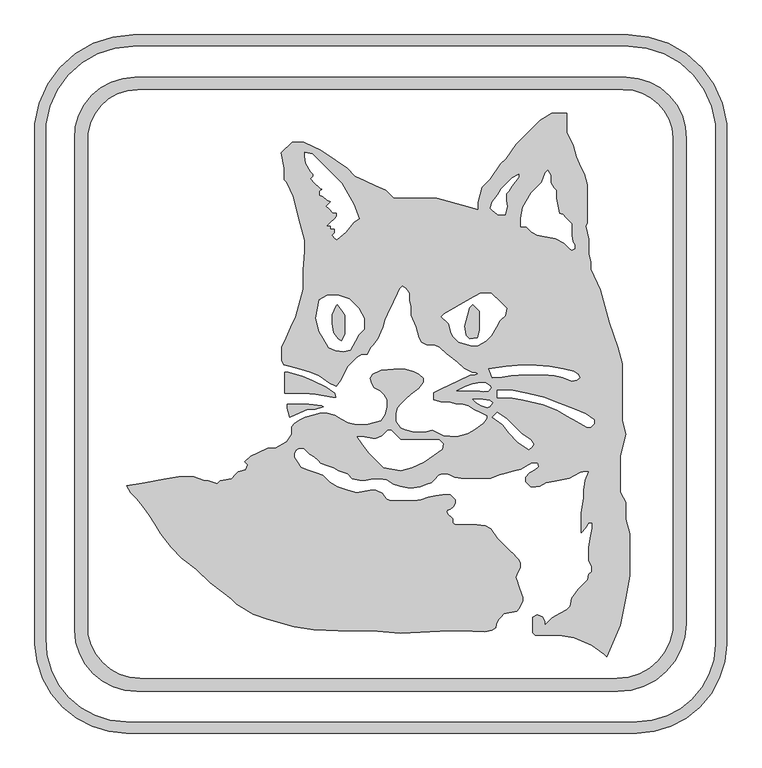
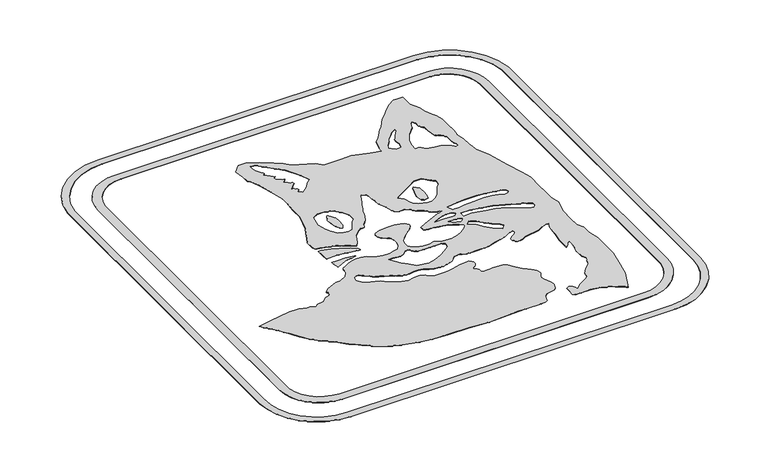
"""IFC4 building model written with IfcOpenShell, lengths in millimetres: proxy geometry."""

import ifcopenshell
import ifcopenshell.guid

model = None  # the IFC model being written
_history = None  # IfcOwnerHistory: only IFC2X3 demands one
_inside = {}  # id of a spatial element -> (the spatial element, [elements in it])
_under = {}  # id of a project, library or spatial element -> (it, [spatial elements below it])
_declared = {}  # id of a project -> (the project, [libraries it declares])
_typed = {}  # id of a type object -> (the type object, [elements of that type])
_made_of = {}  # id of a material, layer set ... -> (it, [elements and type objects made of it])


def new_model(schema):
    """Start an empty IFC model of exactly this schema.

    Asked for "IFC4X3", IfcOpenShell would pick the latest addendum, in which some entities
    have other attributes; the version numbers below select the first issue.
    IFC2X3 requires an IfcOwnerHistory on every rooted entity: one is made here for all.
    """
    global model, _history
    if schema == "IFC4X3":
        model = ifcopenshell.file(schema_version=(4, 3, 0, 0))
    else:
        model = ifcopenshell.file(schema=schema)
    _inside.clear()
    _under.clear()
    _declared.clear()
    _typed.clear()
    _made_of.clear()
    _history = None
    if model.schema == "IFC2X3":
        org = make("IfcOrganization", Name="unknown")
        user = make(
            "IfcPersonAndOrganization",
            ThePerson=make("IfcPerson", FamilyName="unknown"),
            TheOrganization=org,
        )
        app = make(
            "IfcApplication",
            ApplicationDeveloper=org,
            Version="unknown",
            ApplicationFullName="unknown",
            ApplicationIdentifier="unknown",
        )
        _history = make(
            "IfcOwnerHistory",
            OwningUser=user,
            OwningApplication=app,
            ChangeAction="ADDED",
            CreationDate=0,
        )
    return model


def make(cls, **values):
    """One entity of the class cls with the attributes given. An attribute that is None is left unset."""
    return model.create_entity(
        cls, **{name: value for name, value in values.items() if value is not None}
    )


def rooted(cls, **values):
    """An entity with a GlobalId (a new one), such as an element, a storey or a relation."""
    return make(cls, GlobalId=ifcopenshell.guid.new(), OwnerHistory=_history, **values)


def si_unit(unit_type, name, prefix=None):
    """IfcSIUnit, for example si_unit("LENGTHUNIT", "METRE", prefix="MILLI")."""
    return make("IfcSIUnit", UnitType=unit_type, Prefix=prefix, Name=name)


def assignment(units):
    """IfcUnitAssignment: the units of a project."""
    return None if units is None else make("IfcUnitAssignment", Units=units)


def point(xyz):
    """IfcCartesianPoint."""
    return None if xyz is None else make("IfcCartesianPoint", Coordinates=xyz)


def direction(xyz):
    """IfcDirection."""
    return None if xyz is None else make("IfcDirection", DirectionRatios=xyz)


def frame(location, z_axis=None, x_axis=None):
    """IfcAxis2Placement3D, a coordinate frame: its origin and axes. An axis left out is left unset."""
    return make(
        "IfcAxis2Placement3D",
        Location=point(location),
        Axis=direction(z_axis),
        RefDirection=direction(x_axis),
    )


def frame_2d(location, x_axis=None):
    """IfcAxis2Placement2D, a coordinate frame in the plane: its origin and x axis."""
    return make(
        "IfcAxis2Placement2D", Location=point(location), RefDirection=direction(x_axis)
    )


def origin():
    """The frame at (0, 0, 0) with its axes left unset."""
    return frame((0.0, 0.0, 0.0))


def origin_with_axes():
    """The frame at (0, 0, 0) with the z axis (0, 0, 1) and the x axis (1, 0, 0) written out."""
    return frame((0.0, 0.0, 0.0), z_axis=(0.0, 0.0, 1.0), x_axis=(1.0, 0.0, 0.0))


def place(relative_to, where):
    """IfcLocalPlacement: puts the frame where relative to a parent placement (None: the world)."""
    return make(
        "IfcLocalPlacement", PlacementRelTo=relative_to, RelativePlacement=where
    )


def context(
    kind, dimensions, precision=None, world=None, true_north=None, identifier=None
):
    """IfcGeometricRepresentationContext, for example the 3D "Model" context."""
    return make(
        "IfcGeometricRepresentationContext",
        ContextIdentifier=identifier,
        ContextType=kind,
        CoordinateSpaceDimension=dimensions,
        Precision=precision,
        WorldCoordinateSystem=world,
        TrueNorth=true_north,
    )


def project(units=None, contexts=None):
    """IfcProject with its units and contexts."""
    return rooted(
        "IfcProject",
        Name="project",
        RepresentationContexts=contexts,
        UnitsInContext=assignment(units),
    )


def spatial(cls, under=None, at=None, **own):
    """A site, building, storey or space (cls), placed at a placement, below another one or the project."""
    s = rooted(cls, ObjectPlacement=at, **own)
    if under is not None:
        _under.setdefault(under.id(), (under, []))[1].append(s)
    return s


def polyline(points):
    """IfcPolyline through the points."""
    return make("IfcPolyline", Points=[point(p) for p in points])


def circle_curve(where, radius):
    """IfcCircle in the frame where."""
    return make("IfcCircle", Position=where, Radius=radius)


def trimmed(basis, trim1, trim2, sense, master):
    """IfcTrimmedCurve: the piece of a basis curve between two trims."""
    return make(
        "IfcTrimmedCurve",
        BasisCurve=basis,
        Trim1=trim1,
        Trim2=trim2,
        SenseAgreement=sense,
        MasterRepresentation=master,
    )


def segment(curve, same_sense, transition):
    """IfcCompositeCurveSegment."""
    return make(
        "IfcCompositeCurveSegment",
        Transition=transition,
        SameSense=same_sense,
        ParentCurve=curve,
    )


def composite_curve(segments, self_intersect=None):
    """IfcCompositeCurve: segments joined end to end."""
    return make("IfcCompositeCurve", Segments=segments, SelfIntersect=self_intersect)


def outline(outer, holes=None, kind="AREA"):
    """IfcArbitraryClosedProfileDef: a profile drawn as a closed curve; with holes, ...WithVoids."""
    if holes is None:
        return make("IfcArbitraryClosedProfileDef", ProfileType=kind, OuterCurve=outer)
    return make(
        "IfcArbitraryProfileDefWithVoids",
        ProfileType=kind,
        OuterCurve=outer,
        InnerCurves=holes,
    )


def extrude(swept, where, along, depth):
    """IfcExtrudedAreaSolid: the profile swept, set in the frame where, extruded along a direction by depth."""
    return make(
        "IfcExtrudedAreaSolid",
        SweptArea=swept,
        Position=where,
        ExtrudedDirection=direction(along),
        Depth=depth,
    )


def shape(context_of_items, identifier, shape_type, items):
    """IfcShapeRepresentation: the items that make up one representation, for example the "Body"."""
    return make(
        "IfcShapeRepresentation",
        ContextOfItems=context_of_items,
        RepresentationIdentifier=identifier,
        RepresentationType=shape_type,
        Items=items,
    )


def source(mapping_origin, context_of_items, identifier, shape_type, items):
    """IfcRepresentationMap: a shape defined once, which mapped items show again and again."""
    return make(
        "IfcRepresentationMap",
        MappingOrigin=mapping_origin,
        MappedRepresentation=shape(context_of_items, identifier, shape_type, items),
    )


def transform(
    local_origin,
    x_axis=None,
    y_axis=None,
    z_axis=None,
    scale=None,
    scale2=None,
    scale3=None,
    uniform=True,
):
    """IfcCartesianTransformationOperator3D, or its non-uniform kind. x_axis, y_axis, z_axis: its Axis1, 2, 3."""
    if uniform:
        return make(
            "IfcCartesianTransformationOperator3D",
            Axis1=direction(x_axis),
            Axis2=direction(y_axis),
            LocalOrigin=point(local_origin),
            Scale=scale,
            Axis3=direction(z_axis),
        )
    return make(
        "IfcCartesianTransformationOperator3DnonUniform",
        Axis1=direction(x_axis),
        Axis2=direction(y_axis),
        LocalOrigin=point(local_origin),
        Scale=scale,
        Axis3=direction(z_axis),
        Scale2=scale2,
        Scale3=scale3,
    )


def mapped(mapping_source, mapping_target):
    """IfcMappedItem: shows the shape of a source again, moved by a transform."""
    return make(
        "IfcMappedItem", MappingSource=mapping_source, MappingTarget=mapping_target
    )


def made_of(thing, what):
    """Note that an element or type object is made of a material, layer set ...; save() writes the relation."""
    if what is not None:
        _made_of.setdefault(what.id(), (what, []))[1].append(thing)
    return thing


def element(
    cls,
    number,
    at=None,
    inside=None,
    cuts=None,
    type_object=None,
    material=None,
    context=None,
    identifier="Body",
    shape_type=None,
    held_by="IfcProductDefinitionShape",
    body=None,
    shapes=None,
    **own,
):
    """One element of the class cls, such as IfcWall. Its Tag is "e" and its number.

    at: its placement. inside: the storey or other place that contains it. cuts: it is an
    opening in that element (IfcRelVoidsElement). A single representation is given by context,
    identifier, shape_type and body (its items); several are given by shapes. held_by: the class
    of the entity that holds the representations. save() writes the other relations.
    """
    e = rooted(cls, Tag="e%d" % number, ObjectPlacement=at, **own)
    if body is not None:
        shapes = [shape(context, identifier, shape_type, body)]
    if shapes is not None:
        e.Representation = make(held_by, Representations=shapes)
    if inside is not None:
        _inside.setdefault(inside.id(), (inside, []))[1].append(e)
    if cuts is not None:
        rooted(
            "IfcRelVoidsElement", RelatingBuildingElement=cuts, RelatedOpeningElement=e
        )
    if type_object is not None:
        _typed.setdefault(type_object.id(), (type_object, []))[1].append(e)
    return made_of(e, material)


def aggregate(whole, parts):
    """IfcRelAggregates: a whole, such as a stair, and the parts it consists of."""
    return rooted("IfcRelAggregates", RelatingObject=whole, RelatedObjects=parts)


def save(model, path):
    """Write the relations noted so far, then the file.

    IfcRelAggregates (storeys below a building ...), IfcRelContainedInSpatialStructure (elements
    in a storey), IfcRelDefinesByType, IfcRelAssociatesMaterial and IfcRelDeclares: one each for
    every whole, place, type object, material and project.
    """
    for whole, parts in _under.values():
        aggregate(whole, parts)
    for where, things in _inside.values():
        rooted(
            "IfcRelContainedInSpatialStructure",
            RelatedElements=things,
            RelatingStructure=where,
        )
    for kind, things in _typed.values():
        rooted("IfcRelDefinesByType", RelatedObjects=things, RelatingType=kind)
    for what, things in _made_of.values():
        rooted("IfcRelAssociatesMaterial", RelatedObjects=things, RelatingMaterial=what)
    for by, libraries in _declared.values():
        rooted("IfcRelDeclares", RelatingContext=by, RelatedDefinitions=libraries)
    model.write(path)


def generic_models_b9a2b2fd(model_context):
    return source(origin(), model_context, "Body", "SweptSolid", [
        extrude(outline(polyline([(5090.8547728, 30.6328157), (5088.0710488, 46.4200989), (5093.0015516, 64.8209859), (5096.2885535, 77.0882439), (5101.5623543, 82.3620447), (5112.322391, 71.602008), (5112.322391, 52.552008), (5112.322391, 39.2102537), (5109.0353891, 26.9429957), (5096.7167085, 24.77088), (5090.8547728, 30.6328157)])), origin_with_axes(), (0.0, 0.0, 1.0), 0.396875),
        extrude(outline(polyline([(4887.1781269, 32.5067794), (4880.9208016, 21.668774), (4875.6055621, 24.737529), (4868.3211413, 35.1407599), (4865.5359235, 50.9365154), (4865.5359235, 65.5026789), (4872.4544908, 80.3395945), (4874.4909056, 82.3760092), (4881.7753263, 71.9727783), (4887.1781269, 64.2567794), (4887.1781269, 51.5567794), (4887.1781269, 32.5067794)])), origin_with_axes(), (0.0, 0.0, 1.0), 0.396875),
        extrude(outline(polyline([(4551.9277779, -216.2697207), (4583.1954241, -210.756391), (4608.209541, -206.3457273), (4633.609541, -206.3457273), (4651.5106854, -212.8612111), (4657.8606854, -212.8612111), (4672.7475345, -218.279581), (4678.1659044, -212.8612111), (4696.9264921, -209.5532133), (4703.8507282, -202.6289771), (4708.3408563, -198.1388491), (4720.6081143, -194.8518472), (4723.8459727, -185.9559045), (4719.3558446, -181.4657764), (4728.9849553, -171.8366657), (4757.7602275, -158.4185359), (4770.4602275, -158.4185359), (4789.5932561, -147.3720767), (4798.2130434, -135.0617446), (4798.2130434, -122.3617446), (4801.8552538, -117.1601291), (4810.7749207, -112.010357), (4820.6155417, -106.3288719), (4832.8827996, -103.04187), (4845.1500576, -99.7548681), (4857.8500576, -99.7548681), (4870.1173156, -103.04187), (4880.5205466, -110.3262907), (4892.0306555, -115.6935427), (4906.0431142, -119.4481697), (4923.2817046, -119.4481697), (4935.5489626, -116.1611678), (4947.8162205, -112.8741659), (4955.1006413, -102.470935), (4958.3876432, -90.203677), (4958.3876432, -77.503677), (4953.3440628, -68.7679395), (4946.5906041, -62.0144808), (4936.3180753, -57.224322), (4931.8257351, -49.4433605), (4929.5232394, -40.8503294), (4933.7448935, -34.8211825), (4948.1154605, -28.1200771), (4969.0146401, -26.2916358), (4988.0646401, -26.2916358), (5002.4752013, -30.152934), (5011.1799171, -34.2120097), (5018.4836217, -41.5157142), (5018.4836217, -47.8657142), (5011.199201, -58.2689452), (4997.5773989, -67.8070337), (4988.5971428, -76.7872898), (4981.0938098, -84.2906228), (4974.9802779, -90.4041546), (4972.4747618, -99.7548681), (4972.4747618, -113.5731758), (4979.7591826, -123.9764067), (4987.2300013, -127.4601067), (5003.5994546, -131.8462885), (5020.951027, -131.8462885), (5033.2182849, -128.5592867), (5040.2672832, -131.8462885), (5051.7773921, -137.2135404), (5074.9211455, -139.2383565), (5093.3220324, -134.3078537), (5104.7042404, -127.7363329), (5120.3090868, -116.8097018), (5126.1232742, -108.5061817), (5126.1232742, -103.6654698), (5117.7369618, -99.7548681), (5103.0740317, -92.9174315), (5095.1426668, -87.36383), (5085.7901781, -84.8578382), (5073.1385055, -83.7509603), (5060.8712475, -80.4639584), (5048.1712475, -80.4639584), (5035.9039895, -77.1769566), (5035.9039895, -71.4908743), (5035.9039895, -65.1408743), (5049.6901386, -58.7122874), (5078.4654108, -45.2941576), (5097.6363611, -36.3545966), (5103.9863611, -36.3545966), (5109.7414156, -33.6709707), (5106.850459, -30.780014), (5100.500459, -30.780014), (5087.3717058, -24.6579759), (5075.7698323, -13.0561024), (5057.7366035, -0.4290996), (5046.602729, 10.7047749), (5037.3637615, 15.0129762), (5024.6637615, 15.0129762), (5015.6394319, 19.2210902), (5012.1105856, 26.7887255), (5007.1800828, 45.1896125), (4998.1420993, 64.5716307), (4998.1420993, 78.9198262), (4995.4404235, 89.0026175), (4995.4404235, 101.7026175), (4989.9280381, 109.5751196), (4983.1692574, 114.3076688), (4978.6791293, 109.8175408), (4974.7274048, 101.3430402), (4968.0700136, 87.0662187), (4964.5471342, 79.5113794), (4958.3876432, 66.3023083), (4953.885416, 56.6472509), (4950.5984141, 44.3799929), (4947.1663903, 37.0199942), (4941.7991384, 25.5098853), (4934.5147177, 15.1066543), (4930.0245896, 10.6165263), (4924.6573377, -0.8935826), (4918.5144807, -0.8935826), (4914.1567846, -0.8935826), (4912.7138429, -2.3365243), (4906.6499037, -5.8375413), (4898.5317841, -13.9556608), (4890.9640426, -21.5234023), (4880.2295388, -44.5436201), (4872.945118, -54.9468511), (4861.4350091, -49.5795991), (4843.8191248, -37.2448241), (4829.9552948, -30.780014), (4813.2044392, -26.2916358), (4794.9206468, -21.3925084), (4784.3495344, -18.5599874), (4780.9389653, -11.2459982), (4780.9389653, 10.9866034), (4788.4918148, 27.1837416), (4796.5426927, 44.4489049), (4804.7493525, 62.0481435), (4817.1355787, 108.274169), (4817.1355787, 140.024169), (4819.9027735, 171.6533507), (4819.9027735, 190.7033507), (4810.0417679, 227.5051247), (4800.1807623, 264.3068986), (4789.4462584, 287.3271164), (4784.9561303, 291.8172445), (4784.9561303, 310.8672445), (4780.6377812, 337.2422969), (4798.5982934, 355.2028091), (4817.9376783, 355.2028091), (4846.7129506, 341.7846793), (4872.721028, 323.5736275), (4890.8676235, 310.8672445), (4903.9249081, 297.8099599), (4920.6605965, 290.0059802), (4937.9257599, 281.9551023), (4955.1909232, 273.9042244), (4968.6613074, 260.4338403), (4984.0782553, 260.4338403), (5015.8282553, 260.4338403), (5041.2282553, 260.4338403), (5059.6291423, 255.5033374), (5084.1636583, 248.9293337), (5110.6846452, 241.8230567), (5110.6846452, 254.5230567), (5117.258649, 279.0575727), (5130.7290331, 292.5279568), (5148.940085, 318.5360342), (5157.9203411, 327.5162904), (5174.562747, 351.2841092), (5192.5232592, 369.2446214), (5201.5035154, 378.2248775), (5214.9738995, 391.6952617), (5234.0140118, 403.609961), (5246.7140118, 403.609961), (5259.4140118, 403.609961), (5259.4140118, 397.259961), (5259.4140118, 371.859961), (5270.1485156, 348.8397433), (5275.0790184, 330.4388563), (5283.1298963, 313.1736929), (5288.4971483, 301.663584), (5293.4276511, 283.262697), (5293.4276511, 260.4338403), (5293.4276511, 231.9133964), (5293.4276511, 219.2133964), (5290.7440251, 213.4583419), (5296.4834788, 192.0384093), (5296.4834788, 166.6384093), (5299.7704806, 154.3711513), (5299.7704806, 141.6711513), (5315.8722364, 107.1408246), (5330.6637448, 51.9381636), (5344.9939199, 10.9949783), (5352.4143728, -16.6985289), (5352.4143728, -54.7985289), (5352.4143728, -86.5485289), (5352.4143728, -111.9485289), (5358.5229388, -134.7460077), (5348.6619332, -171.5477817), (5348.6619332, -207.4369508), (5348.6619332, -232.8369508), (5358.1869332, -249.3347347), (5358.1869332, -268.3847347), (5358.1869332, -277.7905132), (5364.7609369, -302.3250292), (5364.7609369, -340.4250292), (5364.7609369, -372.1750292), (5358.1869332, -409.4580571), (5348.6619332, -455.7213244), (5326.3316492, -508.3281768), (5321.8415211, -503.8380488), (5301.0350592, -489.2692073), (5271.8090301, -476.8634939), (5246.7949132, -472.4528302), (5221.3949132, -472.4528302), (5206.6141247, -472.4528302), (5202.1239966, -467.9627022), (5202.1239966, -457.4746122), (5202.1239966, -442.0624401), (5209.5243765, -437.7898288), (5218.3895523, -441.5528727), (5222.5935132, -448.8343466), (5222.5935132, -455.9727465), (5235.3148431, -443.2514165), (5248.4778977, -435.6517234), (5259.4764203, -429.3017234), (5265.3704825, -423.4076613), (5268.0180814, -410.5481783), (5278.9447125, -394.9433318), (5287.9249686, -385.9630757), (5294.5293413, -379.358703), (5296.4753156, -369.9070359), (5300.9654437, -365.4169079), (5300.9654437, -356.5949408), (5295.7642195, -347.5861562), (5295.7642195, -330.6744697), (5295.7642195, -324.3244697), (5299.6057887, -305.6658297), (5301.8111206, -293.1587712), (5301.8111206, -283.7374003), (5295.7642195, -283.7374003), (5290.6607972, -292.5767871), (5283.180945, -300.0566392), (5283.180945, -289.3418265), (5283.180945, -266.9241218), (5287.5916087, -241.9100049), (5287.5916087, -229.2100049), (5290.519886, -212.6029194), (5295.7642195, -198.1942316), (5291.0521401, -196.9316337), (5281.9779559, -198.5316572), (5270.9794333, -204.8816572), (5263.4802151, -209.2113329), (5250.9731566, -211.4166647), (5238.4660982, -213.6219966), (5223.8763931, -216.1945552), (5213.7781861, -222.0247578), (5207.5246569, -223.1274237), (5198.5827495, -223.1274237), (5190.1744228, -214.719097), (5190.1744228, -207.1917513), (5197.3391259, -200.0270483), (5206.3605986, -194.8184985), (5211.9584932, -189.220604), (5210.8558273, -182.9670747), (5200.6725422, -182.9670747), (5190.1744228, -189.0281668), (5182.2953758, -193.5771367), (5168.004436, -197.4063825), (5153.7346251, -201.2299668), (5145.9206208, -203.3237229), (5131.5830492, -208.5421722), (5120.0413725, -208.5421722), (5107.3413725, -208.5421722), (5094.6413725, -208.5421722), (5081.9413725, -208.5421722), (5071.416108, -207.6213309), (5065.9168467, -204.4463309), (5058.5737219, -201.7736521), (5049.8591664, -201.7736521), (5043.8921182, -203.94548), (5036.806261, -211.0313372), (5031.5817792, -216.255819), (5023.9430698, -219.0360819), (5013.457348, -222.8525725), (5002.1834528, -224.8404644), (4992.7381649, -224.8404644), (4980.2311065, -222.6351325), (4969.287601, -218.6520223), (4957.3244697, -211.7451052), (4945.934541, -209.7367535), (4934.2239683, -209.7367535), (4921.7169098, -211.9420853), (4911.9328458, -211.9420853), (4899.4257873, -209.7367535), (4891.4626859, -201.7736521), (4876.4947645, -196.3257742), (4868.0019861, -191.4224663), (4856.0678898, -187.0788105), (4846.4296216, -183.5707677), (4841.9394936, -179.0806397), (4835.538542, -172.6796881), (4827.9318318, -168.2879519), (4822.5108709, -162.866991), (4818.0624158, -158.4185359), (4810.8375018, -158.4185359), (4804.4276576, -162.1192612), (4802.4465727, -167.5622471), (4802.4465727, -173.9122471), (4806.6961043, -181.2726518), (4812.9428113, -190.1938739), (4823.0945864, -194.9277244), (4828.0591716, -196.7346856), (4837.9139318, -199.3752607), (4849.8480281, -203.7189165), (4855.8658651, -209.7367535), (4861.9901511, -215.8610395), (4874.2126561, -222.917706), (4879.4953913, -224.8404644), (4891.4294876, -229.1841202), (4906.7492549, -233.2890395), (4920.5454346, -230.8564008), (4929.8039517, -229.2238744), (4938.7518526, -229.2238744), (4949.335304, -234.1590189), (4952.9775144, -239.3606344), (4957.4436729, -243.8267929), (4964.3342227, -247.039909), (4992.9123143, -247.039909), (5003.5354274, -247.039909), (5014.9659103, -245.0244065), (5026.9000066, -240.6807507), (5039.4070651, -238.4754188), (5050.9089613, -236.4473242), (5063.6089613, -236.4473242), (5068.0990894, -240.9374522), (5071.7987492, -244.6371121), (5071.7987492, -250.9871121), (5068.6237492, -256.4863734), (5064.1336211, -260.9765014), (5059.1273994, -262.7986171), (5057.7892547, -265.6682778), (5060.8219723, -269.9994474), (5064.3709366, -273.5484117), (5067.6482194, -276.8256944), (5067.6482194, -283.1756944), (5071.7987492, -287.3262243), (5078.1487492, -287.3262243), (5090.8487492, -287.3262243), (5096.008756, -287.3262243), (5108.418774, -287.3262243), (5122.3034374, -288.5409749), (5131.8573044, -294.0569026), (5142.7839355, -309.661749), (5154.5394466, -321.4172602), (5162.7244682, -329.6022817), (5169.9516681, -336.8294816), (5174.4417961, -341.3196097), (5178.9319242, -345.8097377), (5181.1037521, -351.7767859), (5181.1037521, -359.3983222), (5176.931028, -366.6256924), (5173.3264967, -375.1174359), (5175.8719792, -382.1110915), (5178.6810001, -389.8288131), (5183.024656, -401.7629094), (5185.6577678, -408.9973248), (5185.6577678, -414.0812322), (5182.4650343, -421.602841), (5179.9838916, -427.4480468), (5175.4937636, -431.9381749), (5153.8612063, -436.5363169), (5149.3710782, -441.0264449), (5144.8809501, -445.516573), (5141.3400967, -453.8583008), (5140.2374308, -460.1118301), (5133.8490358, -463.8001717), (5121.4265612, -466.4406502), (5081.5503303, -465.0481415), (5062.5003303, -465.0481415), (4981.0716777, -469.3156363), (4931.9600262, -465.0481415), (4875.8839211, -465.0481415), (4835.1384368, -462.9127611), (4802.3762216, -457.723736), (4757.8962061, -445.8053518), (4732.9666233, -436.7317257), (4705.7515615, -420.3792668), (4696.7713054, -411.3990107), (4661.2719569, -384.6483329), (4637.9667188, -361.3430947), (4613.5772811, -342.9643352), (4595.6167688, -325.0038229), (4578.4714307, -302.2511907), (4567.8206151, -285.2063228), (4559.0460056, -271.1640123), (4547.5814294, -255.9500058), (4538.2042884, -243.5061193), (4527.97288, -233.274711), (4520.7789968, -221.7620912), (4551.9277779, -216.2697207)]), holes=[polyline([(4904.2545486, 20.6740867), (4910.6045486, 31.6726093), (4919.5848047, 40.6528654), (4919.5848047, 59.7028654), (4910.0598047, 76.2006493), (4894.2566716, 92.0037825), (4876.3555271, 98.5192662), (4857.3055271, 98.5192662), (4843.7029312, 90.6658038), (4838.1896016, 59.3981577), (4844.1356231, 37.2073032), (4850.4856231, 26.2087806), (4860.0106231, 9.7109966), (4871.9447194, 5.3673408), (4884.4517779, 3.1620089), (4895.9177356, 6.2343031), (4904.2545486, 20.6740867)]), polyline([(5068.462155, 28.5981719), (5077.974324, 19.0860029), (5097.9460731, 13.4043984), (5110.2067046, 13.4043984), (5123.7652232, 21.2324127), (5132.7454793, 30.2126689), (5140.7314321, 44.0447447), (5147.0814321, 55.0432674), (5156.0616882, 64.0235235), (5158.2670201, 76.5305819), (5151.3330896, 83.4645124), (5146.8429616, 87.9546404), (5132.973457, 101.824145), (5113.923457, 101.824145), (5097.425673, 92.299145), (5075.4286278, 79.599145), (5053.4315825, 66.899145), (5048.9414545, 62.409017), (5060.9073377, 50.4431337), (5065.287155, 34.0974332), (5068.462155, 28.5981719)]), polyline([(5255.125901, 185.0216259), (5264.1061571, 176.0413698), (5267.3957731, 173.4604521), (5272.4938864, 176.4038492), (5272.4938864, 182.7538492), (5269.3188864, 188.2531105), (5267.3957731, 199.1596278), (5267.3957731, 209.6679269), (5267.3957731, 218.4655653), (5258.415517, 227.4458214), (5252.2389673, 233.622371), (5246.2719192, 235.7941989), (5244.0665873, 248.3012574), (5241.8612555, 260.8083158), (5241.8612555, 270.6814291), (5241.8612555, 273.9684309), (5237.3711274, 278.458559), (5232.6721767, 286.5973804), (5232.6721767, 299.2973804), (5227.6331768, 308.0251842), (5223.1430488, 303.5350561), (5217.3518683, 287.6239187), (5199.3913561, 269.6634064), (5185.6245984, 245.8186827), (5182.3166007, 227.058095), (5182.3166007, 212.9225312), (5191.6558401, 212.9225312), (5200.6360962, 203.942275), (5209.5596068, 198.7902838), (5222.0666652, 196.584952), (5240.8272529, 193.2769542), (5255.125901, 185.0216259)]), polyline([(5143.1168811, 233.509693), (5153.3307431, 233.509693), (5155.6887651, 233.509693), (5158.0847506, 240.0926092), (5159.3913413, 247.5026533), (5157.6563924, 257.3420377), (5157.6563924, 268.047613), (5161.9070085, 272.2982291), (5167.0505124, 281.2070392), (5178.80936, 296.1947677), (5178.80936, 301.2714228), (5167.8108374, 294.9214228), (5158.8305812, 285.9411667), (5149.375122, 276.4857075), (5143.6994469, 266.6551498), (5134.3571286, 254.7475092), (5130.585789, 244.3858388), (5135.4349978, 239.53663), (5143.1168811, 233.509693)]), polyline([(4902.2116873, 250.5087936), (4881.5313886, 286.3281216), (4868.0610044, 299.7985058), (4847.2467108, 320.6127994), (4832.0096771, 335.8498331), (4819.5026186, 338.0551649), (4819.5026186, 331.7051649), (4821.7079505, 319.1981065), (4829.4898666, 305.7194325), (4833.9799946, 301.2293044), (4833.9799946, 297.9423025), (4829.4898666, 293.4521745), (4835.8216903, 287.1203508), (4846.2472526, 276.6947884), (4849.6005875, 276.6947884), (4845.1104594, 272.2046603), (4845.1104594, 265.8546603), (4851.0775076, 263.6828324), (4857.4236641, 257.336676), (4863.3907122, 255.164848), (4860.4026995, 252.1768353), (4855.9125714, 247.6867072), (4860.4026995, 243.1965792), (4866.9575373, 236.6417414), (4873.3075373, 236.6417414), (4873.3075373, 230.2917414), (4868.8174092, 225.8016133), (4864.3272811, 221.3114853), (4857.351694, 214.3358982), (4863.701694, 214.3358982), (4863.701694, 209.4621869), (4870.051694, 209.4621869), (4870.051694, 203.1121869), (4865.561566, 198.6220588), (4870.051694, 194.1319308), (4873.3075373, 190.8760876), (4888.4559753, 203.5871363), (4902.0403608, 220.9016802), (4911.0867932, 226.1246404), (4902.2116873, 250.5087936)]), polyline([(4919.5848047, -139.3880512), (4908.0854919, -139.3880512), (4915.7224811, -150.2948021), (4926.6491122, -165.8996485), (4938.5684645, -177.8190008), (4952.0388487, -191.289385), (4980.9331702, -196.3842335), (4999.3340572, -191.4537307), (5019.0822252, -182.2450087), (5036.1423619, -170.2993723), (5050.1081674, -160.5204101), (5051.7819742, -151.02778), (5045.0577388, -144.3035446), (5026.0077388, -144.3035446), (5013.3077388, -144.3035446), (4998.3829082, -144.3035446), (4981.1407611, -144.3035446), (4974.1660135, -137.328797), (4965.1857574, -128.3485409), (4958.8357574, -128.3485409), (4949.8555013, -137.328797), (4938.3453924, -142.696049), (4919.5848047, -139.3880512)]), polyline([(5142.8047345, -97.8927162), (5134.1050831, -106.5923676), (5151.7978832, -118.9809995), (5161.6044149, -132.9861783), (5177.1320745, -148.5138379), (5195.658776, -161.4863739), (5200.1489041, -156.9962459), (5203.7911144, -151.7946304), (5198.5457997, -144.3035446), (5183.0283264, -133.4380928), (5174.0480702, -124.4578367), (5158.4095809, -108.8193474), (5142.8047345, -97.8927162)]), polyline([(5143.0224213, -61.3950869), (5143.0224213, -74.0950869), (5163.5202404, -74.0950869), (5183.0303263, -77.6322406), (5198.1029302, -80.8360215), (5219.9732578, -85.4847031), (5243.5237277, -94.9997106), (5260.0215117, -104.5247106), (5276.5192956, -114.0497106), (5293.0170795, -123.5747106), (5299.3670795, -123.5747106), (5305.6452976, -117.2964926), (5305.6452976, -110.9464926), (5291.3817359, -100.9590392), (5270.5940567, -92.5602716), (5247.0435868, -83.0452641), (5221.2497741, -72.6238873), (5193.2673703, -66.6760438), (5168.4224213, -61.3950869), (5143.0224213, -61.3950869)]), polyline([(5128.5298325, -25.5221959), (5134.0155617, -40.5941131), (5137.4048594, -39.3605097), (5149.9522527, -39.3605097), (5165.4501375, -36.9058858), (5190.7882644, -35.1340714), (5219.17891, -35.1340714), (5239.4664055, -36.5527113), (5253.7100944, -40.3692962), (5267.8396183, -46.0779944), (5276.209792, -44.7522892), (5280.6999201, -40.2621611), (5278.5280922, -34.295113), (5271.0855661, -29.0838001), (5253.6369744, -25.3749874), (5229.9722128, -21.0845963), (5208.4245403, -19.5778362), (5176.6745403, -19.5778362), (5157.6709451, -20.9066971), (5128.5298325, -25.5221959)]), polyline([(5089.5962271, -54.8739109), (5074.4447853, -62.2637629), (5082.1178024, -62.2637629), (5092.7409155, -62.2637629), (5109.3382689, -62.2637629), (5118.7839844, -63.9762591), (5127.1435883, -62.6522279), (5132.3981681, -57.3976481), (5130.9544336, -53.4310202), (5123.411492, -49.0761009), (5110.711492, -49.0761009), (5101.5303234, -50.5302551), (5089.5962271, -54.8739109)]), polyline([(5118.5150259, -76.314788), (5101.8763751, -76.314788), (5107.6787017, -82.1171145), (5115.9536774, -86.894674), (5125.571463, -90.7805116), (5129.7422641, -88.746276), (5132.842795, -85.6457451), (5134.9512371, -81.9938163), (5129.7496216, -78.3516059), (5118.5150259, -76.314788)])]), origin_with_axes(), (0.0, 0.0, 1.0), 0.396875),
        extrude(outline(polyline([(4809.4944649, -99.7548681), (4794.4941661, -106.7496224), (4790.3633474, -91.3331969), (4790.3633474, -84.9831969), (4807.1221065, -84.9831969), (4826.1721065, -84.9831969), (4848.4277591, -87.2616355), (4850.4059393, -89.2398157), (4837.0958236, -92.8062505), (4824.3958236, -92.8062505), (4809.4944649, -99.7548681)])), origin_with_axes(), (0.0, 0.0, 1.0), 0.396875),
        extrude(outline(polyline([(4817.1206381, -65.9331969), (4785.9325761, -65.9331969), (4785.9325761, -48.6695675), (4785.9325761, -31.2379223), (4792.2825761, -31.2379223), (4815.8453011, -37.5515354), (4833.1104645, -45.6024133), (4856.1306823, -56.3369171), (4870.1520781, -66.1548042), (4871.9719295, -72.946582), (4866.9850201, -72.946582), (4838.3709884, -68.108717), (4817.1206381, -65.9331969)])), origin_with_axes(), (0.0, 0.0, 1.0), 0.396875),
        extrude(outline(composite_curve([segment(trimmed(circle_curve(frame_2d((5362.3894468, 368.8170488)), 166.0737066), [point((5362.3894468, 534.8907554))], [point((5527.5533843, 386.1764782))], False, "CARTESIAN"), True, "CONTINUOUS"), segment(polyline([(5527.5533843, 386.1764782), (5527.5533843, -487.7764782)]), True, "CONTINUOUS"), segment(trimmed(circle_curve(frame_2d((5376.7343628, -485.6568398)), 150.8339156), [point((5527.5533843, -487.7764782))], [point((5376.7343628, -636.4907554))], False, "CARTESIAN"), True, "CONTINUOUS"), segment(polyline([(5376.7343628, -636.4907554), (4520.5876309, -636.4907554)]), True, "CONTINUOUS"), segment(trimmed(circle_curve(frame_2d((4520.5876309, -482.7850674)), 153.705688), [point((4520.5876309, -636.4907554))], [point((4366.9630093, -487.7764782))], False, "CARTESIAN"), True, "CONTINUOUS"), segment(polyline([(4366.9630093, -487.7764782), (4366.9630093, 386.1764782)]), True, "CONTINUOUS"), segment(trimmed(circle_curve(frame_2d((4532.1269468, 368.8170488)), 166.0737066), [point((4366.9630093, 386.1764782))], [point((4532.1269468, 534.8907554))], False, "CARTESIAN"), True, "CONTINUOUS"), segment(polyline([(4532.1269468, 534.8907554), (5362.3894468, 534.8907554)]), True, "CONTINUOUS")], self_intersect=False), holes=[composite_curve([segment(polyline([(4386.0130093, 385.1476209), (4386.0130093, -478.1132852)]), True, "CONTINUOUS"), segment(trimmed(circle_curve(frame_2d((4520.5876309, -482.7850674)), 134.655688), [point((4386.0130093, -478.1132852))], [point((4520.5876309, -617.4407554))], True, "CARTESIAN"), True, "CONTINUOUS"), segment(polyline([(4520.5876309, -617.4407554), (5376.7343628, -617.4407554)]), True, "CONTINUOUS"), segment(trimmed(circle_curve(frame_2d((5376.7343628, -485.6568398)), 131.7839156), [point((5376.7343628, -617.4407554))], [point((5508.5033843, -487.6381019))], True, "CARTESIAN"), True, "CONTINUOUS"), segment(polyline([(5508.5033843, -487.6381019), (5508.5033843, 385.1476209)]), True, "CONTINUOUS"), segment(trimmed(circle_curve(frame_2d((5362.3894468, 368.8170488)), 147.0237066), [point((5508.5033843, 385.1476209))], [point((5362.3894468, 515.8407554))], True, "CARTESIAN"), True, "CONTINUOUS"), segment(polyline([(5362.3894468, 515.8407554), (4532.1269468, 515.8407554)]), True, "CONTINUOUS"), segment(trimmed(circle_curve(frame_2d((4532.1269468, 368.8170488)), 147.0237066), [point((4532.1269468, 515.8407554))], [point((4386.0130093, 385.1476209))], True, "CARTESIAN"), True, "CONTINUOUS")], self_intersect=False)]), origin_with_axes(), (0.0, 0.0, 1.0), 0.396875),
        extrude(outline(composite_curve([segment(trimmed(circle_curve(frame_2d((5359.1406023, 362.6686893)), 100.7879009), [point((5359.1406023, 463.4565902))], [point((5459.9086166, 360.6666205))], False, "CARTESIAN"), True, "CONTINUOUS"), segment(polyline([(5459.9086166, 360.6666205), (5459.9086166, -453.2475301)]), True, "CONTINUOUS"), segment(trimmed(circle_curve(frame_2d((5345.1129472, -451.7391804)), 114.8055784), [point((5459.9086166, -453.2475301))], [point((5345.1129472, -566.5447588))], False, "CARTESIAN"), True, "CONTINUOUS"), segment(polyline([(5345.1129472, -566.5447588), (4538.2397461, -566.5447588)]), True, "CONTINUOUS"), segment(trimmed(circle_curve(frame_2d((4538.2397461, -461.6742728)), 104.870486), [point((4538.2397461, -566.5447588))], [point((4433.3906479, -463.7921584))], False, "CARTESIAN"), True, "CONTINUOUS"), segment(polyline([(4433.3906479, -463.7921584), (4433.3906479, 360.7039898)]), True, "CONTINUOUS"), segment(trimmed(circle_curve(frame_2d((4534.1593977, 362.6686893)), 100.7879009), [point((4433.3906479, 360.7039898))], [point((4534.1593977, 463.4565902))], False, "CARTESIAN"), True, "CONTINUOUS"), segment(polyline([(4534.1593977, 463.4565902), (5359.1406023, 463.4565902)]), True, "CONTINUOUS")], self_intersect=False), holes=[composite_curve([segment(polyline([(4456.7495765, 370.0098313), (4456.7495765, -471.5104999)]), True, "CONTINUOUS"), segment(trimmed(circle_curve(frame_2d((4543.7669534, -456.4647969)), 88.3085334), [point((4456.7495765, -471.5104999))], [point((4543.7669534, -544.7733302))], True, "CARTESIAN"), True, "CONTINUOUS"), segment(polyline([(4543.7669534, -544.7733302), (5343.1483133, -544.7733302)]), True, "CONTINUOUS"), segment(trimmed(circle_curve(frame_2d((5343.1483133, -449.7617573)), 95.011573), [point((5343.1483133, -544.7733302))], [point((5437.1450005, -463.611732))], True, "CARTESIAN"), True, "CONTINUOUS"), segment(polyline([(5437.1450005, -463.611732), (5437.1450005, 362.424267)]), True, "CONTINUOUS"), segment(trimmed(circle_curve(frame_2d((5353.6096125, 359.6926225)), 83.5800391), [point((5437.1450005, 362.424267))], [point((5353.6096125, 443.2726616))], True, "CARTESIAN"), True, "CONTINUOUS"), segment(polyline([(5353.6096125, 443.2726616), (4539.6903875, 443.2726616)]), True, "CONTINUOUS"), segment(trimmed(circle_curve(frame_2d((4539.6903875, 359.6926225)), 83.5800391), [point((4539.6903875, 443.2726616))], [point((4456.7495765, 370.0098313))], True, "CARTESIAN"), True, "CONTINUOUS")], self_intersect=False)]), origin_with_axes(), (0.0, 0.0, 1.0), 0.396875),
    ])


if __name__ == "__main__":
    model = new_model("IFC4")
    model_context = context("Model", 3, world=origin())
    ifc_project = project(units=[si_unit("LENGTHUNIT", "METRE", prefix="MILLI")], contexts=[model_context])
    site = spatial("IfcSite", under=ifc_project)
    building = spatial("IfcBuilding", under=site)
    placement = place(None, origin())
    generic_models_shape = generic_models_b9a2b2fd(model_context)
    element("IfcBuildingElementProxy", 1, Name="Generic Models", at=placement, inside=building, context=model_context, shape_type="MappedRepresentation", body=[
        mapped(generic_models_shape, transform((0.0, 0.0, 0.0), x_axis=(1.0, 0.0, 0.0), y_axis=(0.0, 1.0, 0.0), z_axis=(0.0, 0.0, 1.0))),
    ])
    save(model, "model.ifc")
